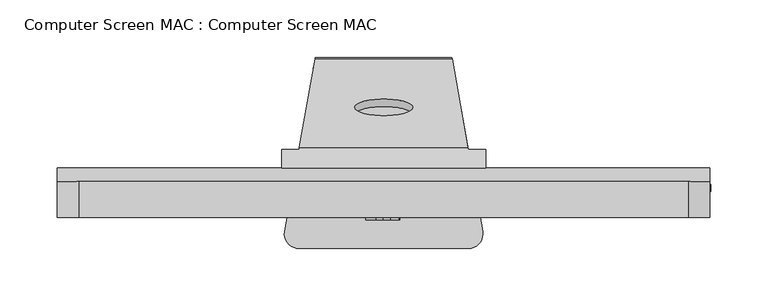
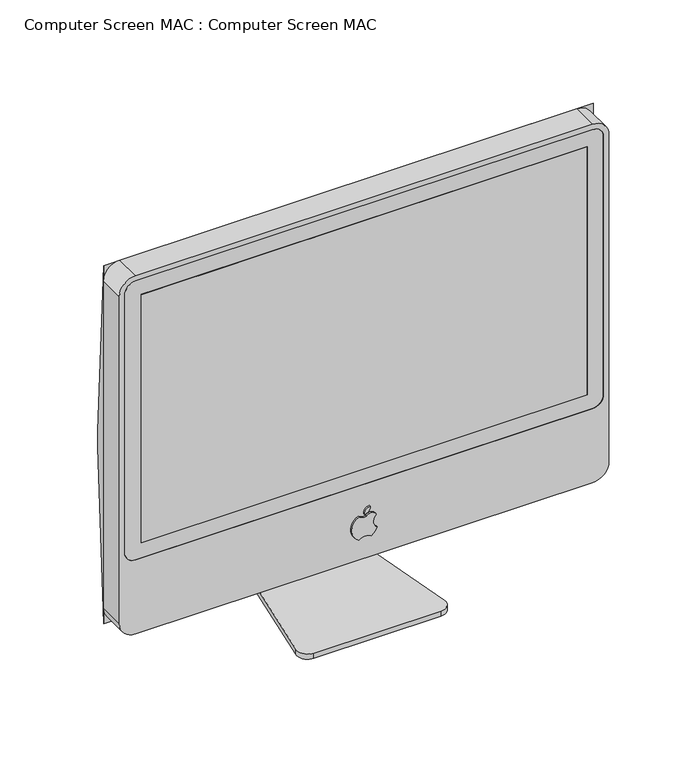
"""IFC4 building model written with IfcOpenShell, lengths in millimetres: proxy geometry, Computer Screen MAC : Computer Screen MAC."""

from ifc_helpers import new_model, si_unit, point, frame, frame_2d, origin, place, context, project, spatial, polyline, circle_curve, ellipse_curve, trimmed, segment, composite_curve, outline, extrude, source, transform, mapped, element, save
from ifc_brep_helpers import plane_surface, cylinder_surface, revolved_surface, advanced_brep


def computer_screen_mac_computer_screen_mac_dce8db99(model_context):
    return source(origin(), model_context, "Body", "SolidModel", [
        extrude(outline(composite_curve([segment(trimmed(circle_curve(frame_2d((120.52706, 0.0)), 15.644498), [point((134.5632962, -6.9090079))], [point((106.7843162, -7.4757816))], False, "CARTESIAN"), True, "CONTINUOUS"), segment(trimmed(circle_curve(frame_2d((96.5739719, 0.0)), 12.6545818), [point((106.7843162, -7.4757816))], [point((106.7843162, 7.4757816))], True, "CARTESIAN"), True, "CONTINUOUS"), segment(trimmed(circle_curve(frame_2d((124.483969, -7.3413015)), 23.0829734), [point((106.7843162, 7.4757816))], [point((115.7043026, 14.0067925))], False, "CARTESIAN"), True, "CONTINUOUS"), segment(trimmed(circle_curve(frame_2d((123.8232336, 19.4018481)), 9.7480082), [point((115.7043026, 14.0067925))], [point((131.3337514, 13.1876878))], True, "CARTESIAN"), True, "CONTINUOUS"), segment(trimmed(circle_curve(frame_2d((128.4564261, 7.0151038)), 6.8102712), [point((131.3337514, 13.1876878))], [point((132.7415657, 1.7219598))], False, "CARTESIAN"), True, "CONTINUOUS"), segment(trimmed(circle_curve(frame_2d((142.1808748, -0.7934332)), 9.7687132), [point((132.7415657, 1.7219598))], [point((134.5632962, -6.9090079))], True, "CARTESIAN"), True, "CONTINUOUS")], self_intersect=False)), frame((0.0, -112.5486934, 0.0), z_axis=(0.0, 1.0, 0.0), x_axis=(0.0, 0.0, 1.0)), (0.0, 0.0, 1.0), 1.9886934),
        extrude(outline(composite_curve([segment(trimmed(circle_curve(frame_2d((136.4441402, 6.4175218)), 6.9390859), [point((143.3664679, 5.9355541))], [point((135.4763429, -0.4537431))], False, "CARTESIAN"), True, "CONTINUOUS"), segment(trimmed(circle_curve(frame_2d((143.2650054, -2.0055453)), 7.9417475), [point((135.4763429, -0.4537431))], [point((143.3664679, 5.9355541))], False, "CARTESIAN"), True, "CONTINUOUS")], self_intersect=False)), frame((0.0, -112.5486934, 0.0), z_axis=(0.0, 1.0, 0.0), x_axis=(0.0, 0.0, 1.0)), (0.0, 0.0, 1.0), 1.9886934),
        extrude(outline(polyline([(259.0601563, -110.56), (-259.0601562, -110.56), (-259.0601562, -104.21), (259.0601563, -104.21), (259.0601563, -110.56)])), frame((0.0, 0.0, 190.5435211), z_axis=(0.0, 0.0, 1.0), x_axis=(1.0, 0.0, 0.0)), (0.0, 0.0, 1.0), 304.7564789),
        extrude(outline(composite_curve([segment(polyline([(520.7, 265.4101563), (520.7, -265.4101562)]), True, "CONTINUOUS"), segment(trimmed(circle_curve(frame_2d((501.65, -265.4101562)), 19.05), [point((520.7, -265.4101562))], [point((501.65, -284.4601562))], False, "CARTESIAN"), True, "CONTINUOUS"), segment(polyline([(501.65, -284.4601562), (99.801911, -284.4601562)]), True, "CONTINUOUS"), segment(trimmed(circle_curve(frame_2d((99.801911, -265.4101562)), 19.05), [point((99.801911, -284.4601562))], [point((80.751911, -265.4101562))], False, "CARTESIAN"), True, "CONTINUOUS"), segment(polyline([(80.751911, -265.4101562), (80.751911, 265.4101563)]), True, "CONTINUOUS"), segment(trimmed(circle_curve(frame_2d((99.801911, 265.4101563)), 19.05), [point((80.751911, 265.4101563))], [point((99.801911, 284.4601563))], False, "CARTESIAN"), True, "CONTINUOUS"), segment(polyline([(99.801911, 284.4601563), (501.65, 284.4601563)]), True, "CONTINUOUS"), segment(trimmed(circle_curve(frame_2d((501.65, 265.4101563)), 19.05), [point((501.65, 284.4601563))], [point((520.7, 265.4101563))], False, "CARTESIAN"), True, "CONTINUOUS")], self_intersect=False), holes=[composite_curve([segment(polyline([(184.1935211, -278.1101562), (501.65, -278.1101562)]), True, "CONTINUOUS"), segment(trimmed(circle_curve(frame_2d((501.65, -265.4101562)), 12.7), [point((501.65, -278.1101562))], [point((514.35, -265.4101562))], True, "CARTESIAN"), True, "CONTINUOUS"), segment(polyline([(514.35, -265.4101562), (514.35, 265.4101563)]), True, "CONTINUOUS"), segment(trimmed(circle_curve(frame_2d((501.65, 265.4101563)), 12.7), [point((514.35, 265.4101563))], [point((501.65, 278.1101563))], True, "CARTESIAN"), True, "CONTINUOUS"), segment(polyline([(501.65, 278.1101563), (184.1935211, 278.1101563)]), True, "CONTINUOUS"), segment(trimmed(circle_curve(frame_2d((184.1935211, 265.4101563)), 12.7), [point((184.1935211, 278.1101563))], [point((171.4935211, 265.4101563))], True, "CARTESIAN"), True, "CONTINUOUS"), segment(polyline([(171.4935211, 265.4101563), (171.4935211, -265.4101562)]), True, "CONTINUOUS"), segment(trimmed(circle_curve(frame_2d((184.1935211, -265.4101562)), 12.7), [point((171.4935211, -265.4101562))], [point((184.1935211, -278.1101562))], True, "CARTESIAN"), True, "CONTINUOUS")], self_intersect=False)]), frame((0.0, -110.56, 0.0), z_axis=(0.0, 1.0, 0.0), x_axis=(0.0, 0.0, 1.0)), (0.0, 0.0, 1.0), 31.496),
        advanced_brep(
        [(88.9, -67.38, 312.7737605), (88.9, -67.38, 306.3892791), (88.9, -60.1083271, 304.8), (88.9, -51.3257743, 304.8), (-88.9, -67.38, 306.3892791), (-88.9, -67.38, 312.7737605), (-88.9, -51.3257743, 304.8), (-88.9, -60.1083271, 304.8), (62.8223757, 10.3185406, 0.0), (-62.8223757, 10.3185406, 0.0), (-59.4633467, 29.3685406, 19.05), (-59.6277493, 28.4361672, 24.9367737), (59.6277493, 28.4361672, 24.9367737), (59.4633467, 29.3685406, 19.05), (-73.3647812, -49.4704123, 300.8605195), (73.3647812, -49.4704123, 300.8605195), (-25.4, -14.2168059, 176.001911), (25.4, -14.2168059, 176.001911), (73.6919316, -51.3257743, 304.8), (-73.6919316, -51.3257743, 304.8), (-75.2405326, -60.1083271, 304.8), (-74.4296567, -55.5096211, 298.8982615), (74.4296567, -55.5096211, 298.8982615), (75.2405326, -60.1083271, 304.8), (-60.6926248, 22.3969584, 22.9745158), (60.6926248, 22.3969584, 22.9745158), (25.4, -20.8100549, 176.001911), (-25.4, -20.8100549, 176.001911), (-62.8223757, 10.3185406, 6.35), (62.8223757, 10.3185406, 6.35), (-86.2717878, -122.6696842, 6.35), (-73.7647294, -137.575016, 6.35), (73.7647294, -137.575016, 6.35), (86.2717878, -122.6696842, 6.35), (-73.7647294, -137.575016, 0.0), (73.7647294, -137.575016, 0.0), (86.2717878, -122.6696842, 0.0), (-86.2717878, -122.6696842, 0.0)],
        [
            (0, 1),
            (1, 2, circle_curve(frame((88.9, -65.9490495, 295.5062856), z_axis=(-1.0, 0.0, 0.0), x_axis=(0.0, 1.0, 0.0)), 10.9766646)),
            (2, 3),
            (3, 0, circle_curve(frame((88.9, -65.9490495, 295.5062856), z_axis=(1.0, 0.0, 0.0), x_axis=(0.0, 1.0, 0.0)), 17.3266646)),
            (4, 5),
            (5, 6, circle_curve(frame((-88.9, -65.9490495, 295.5062856), z_axis=(-1.0, 0.0, 0.0), x_axis=(0.0, 1.0, 0.0)), 17.3266646)),
            (6, 7),
            (7, 4, circle_curve(frame((-88.9, -65.9490495, 295.5062856), z_axis=(1.0, 0.0, 0.0), x_axis=(0.0, 1.0, 0.0)), 10.9766646)),
            (8, 9),
            (9, 10, ellipse_curve(frame((-62.8223757, 10.3185406, 19.05), z_axis=(0.9848077530122079, -0.17364817766693164, 0.0), x_axis=(0.1736481776669307, 0.9848077530122079, 0.0)), 19.343877, 19.05)),
            (10, 11, ellipse_curve(frame((-62.8223757, 10.3185406, 19.05), z_axis=(0.9848077530122079, -0.17364817766693164, 0.0), x_axis=(0.1736481776669307, 0.9848077530122079, 0.0)), 19.343877, 19.05)),
            (11, 12),
            (12, 13, ellipse_curve(frame((62.8223757, 10.3185406, 19.05), z_axis=(-0.9848077530122079, -0.1736481776669312, 0.0), x_axis=(0.17364817766693147, -0.9848077530122078, 0.0)), 19.343877, 19.05)),
            (13, 8, ellipse_curve(frame((62.8223757, 10.3185406, 19.05), z_axis=(-0.9848077530122079, -0.1736481776669312, 0.0), x_axis=(0.17364817766693147, -0.9848077530122078, 0.0)), 19.343877, 19.05)),
            (11, 14),
            (14, 15),
            (15, 12),
            (16, 17, ellipse_curve(frame((0.0, -14.2168059, 176.001911), z_axis=(0.0, -0.9623749775729732, -0.2717248655191856), x_axis=(0.0, 0.27172486551918523, -0.9623749775729733)), 26.3930387, 25.4)),
            (17, 16, ellipse_curve(frame((0.0, -14.2168059, 176.001911), z_axis=(0.0, -0.9623749775729732, -0.2717248655191856), x_axis=(0.0, 0.27172486551918523, -0.9623749775729733)), 26.3930387, 25.4)),
            (5, 0),
            (3, 18),
            (18, 15, ellipse_curve(frame((76.2704096, -65.9490495, 295.5062856), z_axis=(-0.9848077530122079, -0.1736481776669312, 0.0), x_axis=(0.17364817766693147, -0.9848077530122078, 0.0)), 17.5939563, 17.3266646)),
            (14, 19, ellipse_curve(frame((-76.2704096, -65.9490495, 295.5062856), z_axis=(0.9848077530122079, -0.17364817766693164, 0.0), x_axis=(0.1736481776669307, 0.9848077530122079, 0.0)), 17.5939563, 17.3266646)),
            (19, 6),
            (4, 1),
            (7, 20),
            (20, 21, ellipse_curve(frame((-76.2704096, -65.9490495, 295.5062856), z_axis=(-0.9848077530122079, 0.17364817766693164, 0.0), x_axis=(-0.1736481776669307, -0.9848077530122079, 0.0)), 11.1459973, 10.9766646)),
            (21, 22),
            (22, 23, ellipse_curve(frame((76.2704096, -65.9490495, 295.5062856), z_axis=(0.9848077530122079, 0.1736481776669312, 0.0), x_axis=(-0.17364817766693147, 0.9848077530122078, 0.0)), 11.1459973, 10.9766646)),
            (23, 2),
            (21, 24),
            (24, 25),
            (25, 22),
            (26, 27, ellipse_curve(frame((0.0, -20.8100549, 176.001911), z_axis=(0.0, 0.9623749775729731, 0.27172486551918607), x_axis=(0.0, 0.27172486551918557, -0.962374977572973)), 26.3930387, 25.4)),
            (27, 26, ellipse_curve(frame((0.0, -20.8100549, 176.001911), z_axis=(0.0, 0.9623749775729731, 0.27172486551918607), x_axis=(0.0, 0.27172486551918557, -0.962374977572973)), 26.3930387, 25.4)),
            (24, 28, ellipse_curve(frame((-62.8223757, 10.3185406, 19.05), z_axis=(-0.9848077530122079, 0.17364817766693164, 0.0), x_axis=(-0.1736481776669307, -0.9848077530122079, 0.0)), 12.895918, 12.7)),
            (28, 29),
            (29, 25, ellipse_curve(frame((62.8223757, 10.3185406, 19.05), z_axis=(0.9848077530122079, 0.1736481776669312, 0.0), x_axis=(-0.17364817766693147, 0.9848077530122078, 0.0)), 12.895918, 12.7)),
            (28, 30),
            (30, 31, circle_curve(frame((-73.7647294, -124.875016, 6.35), z_axis=(0.0, 0.0, 1.0), x_axis=(1.0, 0.0, 0.0)), 12.7)),
            (31, 32),
            (32, 33, circle_curve(frame((73.7647294, -124.875016, 6.35), z_axis=(0.0, 0.0, 1.0), x_axis=(1.0, 0.0, 0.0)), 12.7)),
            (33, 29),
            (31, 34),
            (34, 35),
            (35, 32),
            (8, 36),
            (36, 35, circle_curve(frame((73.7647294, -124.875016, 0.0), z_axis=(0.0, 0.0, -1.0), x_axis=(1.0, 0.0, 0.0)), 12.7)),
            (34, 37, circle_curve(frame((-73.7647294, -124.875016, 0.0), z_axis=(0.0, 0.0, -1.0), x_axis=(1.0, 0.0, 0.0)), 12.7)),
            (37, 9),
            (19, 20),
            (23, 18),
            (30, 37),
            (33, 36),
            (26, 17),
            (16, 27),
        ],
        [
            plane_surface(frame((88.9, 29.3685406, 19.05), z_axis=(1.0, 0.0, 0.0), x_axis=(0.0, 0.0, 1.0))),
            plane_surface(frame((-88.9, 29.3685406, 19.05), z_axis=(-1.0, 0.0, 0.0), x_axis=(0.0, 0.0, -1.0))),
            cylinder_surface(frame((-88.9, 10.3185406, 19.05), z_axis=(1.0, 0.0, 0.0), x_axis=(0.0, 1.0, 0.0)), 19.05),
            plane_surface(frame((88.9, 28.4361672, 24.9367737), z_axis=(0.0, 0.9623749775729732, 0.2717248655191856), x_axis=(-1.0, 0.0, 0.0))),
            cylinder_surface(frame((-88.9, -65.9490495, 295.5062856), z_axis=(1.0, 0.0, 0.0), x_axis=(0.0, 1.0, 0.0)), 17.3266646),
            plane_surface(frame((88.9, -67.38, 312.7737605), z_axis=(0.0, -1.0, 0.0), x_axis=(-1.0, 0.0, 0.0))),
            revolved_surface(polyline([(-88.9, -54.9723849, 295.5062856), (88.9, -54.9723849, 295.5062856)]), (-88.9, -65.9490495, 295.5062856), (-1.0, 0.0, 0.0)),
            plane_surface(frame((88.9, -55.5096211, 298.8982615), z_axis=(0.0, -0.9623749775729731, -0.27172486551918607), x_axis=(-1.0, 0.0, 0.0))),
            revolved_surface(polyline([(-65.06172836004217, 23.0185406, 19.05), (65.0617283600422, 23.0185406, 19.05)]), (-88.9, 10.3185406, 19.05), (-1.0, 0.0, 0.0)),
            plane_surface(frame((88.9, 10.3185406, 6.35), z_axis=(0.0, 0.0, 1.0), x_axis=(-1.0, 0.0, 0.0))),
            plane_surface(frame((88.9, -137.575016, 6.35), z_axis=(0.0, -1.0, 0.0), x_axis=(-1.0, 0.0, 0.0))),
            plane_surface(frame((88.9, -137.575016, 0.0), z_axis=(0.0, 0.0, -1.0), x_axis=(-1.0, 0.0, 0.0))),
            plane_surface(frame((-88.9, 29.3685406, 304.8), z_axis=(0.0, 0.0, -1.0), x_axis=(-1.0, 0.0, 0.0))),
            cylinder_surface(frame((-73.7647294, -124.875016, 0.0), z_axis=(0.0, 0.0, -1.0), x_axis=(1.0, 0.0, 0.0)), 12.7),
            plane_surface(frame((-86.2717878, -122.6696842, 304.8), z_axis=(-0.9848077530122079, 0.17364817766693164, 0.0), x_axis=(0.0, 0.0, -1.0))),
            plane_surface(frame((59.4633467, 29.3685406, 304.8), z_axis=(0.9848077530122079, 0.1736481776669312, 0.0), x_axis=(0.0, 0.0, -1.0))),
            cylinder_surface(frame((73.7647294, -124.875016, 0.0), z_axis=(0.0, 0.0, -1.0), x_axis=(1.0, 0.0, 0.0)), 12.7),
            revolved_surface(polyline([(-25.4, -7.045161008599855, 176.001911), (-25.4, -27.98169979140016, 176.001911)]), (0.0, -46.9112931, 176.001911), (0.0, 1.0, 0.0)),
        ],
        [
            (0, [[1, 2, 3, 4]]),
            (1, [[5, 6, 7, 8]]),
            (2, [[9, 10, 11, 12, 13, 14]]),
            (3, [[-12, 15, 16, 17], [18, 19]]),
            (4, [[20, -4, 21, 22, -16, 23, 24, -6]]),
            (5, [[-1, -20, -5, 25]]),
            (6, [[-25, -8, 26, 27, 28, 29, 30, -2]]),
            (7, [[-28, 31, 32, 33], [34, 35]]),
            (8, [[-32, 36, 37, 38]]),
            (9, [[-37, 39, 40, 41, 42, 43]]),
            (10, [[-41, 44, 45, 46]]),
            (11, [[-9, 47, 48, -45, 49, 50]]),
            (12, [[51, -26, -7, -24]]),
            (12, [[52, -21, -3, -30]]),
            (13, [[53, -49, -44, -40]]),
            (14, [[-51, -23, -15, -11, -10, -50, -53, -39, -36, -31, -27]]),
            (15, [[-52, -29, -33, -38, -43, 54, -47, -14, -13, -17, -22]]),
            (16, [[-54, -42, -46, -48]]),
            (17, [[55, -18, 56, -34]]),
            (17, [[-55, -35, -56, -19]]),
        ],
    ),
        extrude(outline(composite_curve([segment(polyline([(171.4935211, -265.4101562), (171.4935211, 265.4101562)]), True, "CONTINUOUS"), segment(trimmed(circle_curve(frame_2d((184.1935211, 265.4101562)), 12.7), [point((171.4935211, 265.4101562))], [point((184.1935211, 278.1101562))], False, "CARTESIAN"), True, "CONTINUOUS"), segment(polyline([(184.1935211, 278.1101562), (501.65, 278.1101562)]), True, "CONTINUOUS"), segment(trimmed(circle_curve(frame_2d((501.65, 265.4101562)), 12.7), [point((501.65, 278.1101562))], [point((514.35, 265.4101562))], False, "CARTESIAN"), True, "CONTINUOUS"), segment(polyline([(514.35, 265.4101562), (514.35, -265.4101562)]), True, "CONTINUOUS"), segment(trimmed(circle_curve(frame_2d((501.65, -265.4101562)), 12.7), [point((514.35, -265.4101562))], [point((501.65, -278.1101562))], False, "CARTESIAN"), True, "CONTINUOUS"), segment(polyline([(501.65, -278.1101562), (184.1935211, -278.1101562)]), True, "CONTINUOUS"), segment(trimmed(circle_curve(frame_2d((184.1935211, -265.4101562)), 12.7), [point((184.1935211, -278.1101562))], [point((171.4935211, -265.4101562))], False, "CARTESIAN"), True, "CONTINUOUS")], self_intersect=False), holes=[polyline([(495.3, -259.0601562), (495.3, 259.0601563), (190.5435211, 259.0601562), (190.5435211, -259.0601562), (495.3, -259.0601562)])]), frame((0.0, -110.56, 0.0), z_axis=(0.0, 1.0, 0.0), x_axis=(0.0, 0.0, 1.0)), (0.0, 0.0, 1.0), 6.35),
        extrude(outline(composite_curve([segment(trimmed(circle_curve(frame_2d((-84.88975, 425.5146184)), 3.0), [point((-87.88975, 425.5146184))], [point((-84.88975, 428.5146184))], False, "CARTESIAN"), True, "CONTINUOUS"), segment(trimmed(circle_curve(frame_2d((-84.88975, 425.5146184)), 3.0), [point((-84.88975, 428.5146184))], [point((-81.88975, 425.5146184))], False, "CARTESIAN"), True, "CONTINUOUS"), segment(polyline([(-81.88975, 425.5146184), (-81.88975, 264.1646184)]), True, "CONTINUOUS"), segment(trimmed(circle_curve(frame_2d((-84.88975, 264.1646184)), 3.0), [point((-81.88975, 264.1646184))], [point((-84.88975, 261.1646184))], False, "CARTESIAN"), True, "CONTINUOUS"), segment(trimmed(circle_curve(frame_2d((-84.88975, 264.1646184)), 3.0), [point((-84.88975, 261.1646184))], [point((-87.88975, 264.1646184))], False, "CARTESIAN"), True, "CONTINUOUS"), segment(polyline([(-87.88975, 264.1646184), (-87.88975, 425.5146184)]), True, "CONTINUOUS")], self_intersect=False)), frame((281.9121562, 0.0, 0.0), z_axis=(1.0, 0.0, 0.0), x_axis=(0.0, 1.0, 0.0)), (0.0, 0.0, 1.0), 3.1621285),
        extrude(outline(composite_curve([segment(trimmed(circle_curve(frame_2d((-2047.3299963, 305.8518843)), 1979.9572584), [point((-79.064, 520.7))], [point((-67.3793732, 310.977813))], False, "CARTESIAN"), True, "CONTINUOUS"), segment(polyline([(-67.3793732, 310.977813), (-67.3793732, 290.474098)]), True, "CONTINUOUS"), segment(trimmed(circle_curve(frame_2d((-2047.3299963, 295.6000267)), 1979.9572584), [point((-67.3793732, 290.474098))], [point((-79.064, 80.751911))], False, "CARTESIAN"), True, "CONTINUOUS"), segment(polyline([(-79.064, 80.751911), (-79.064, 520.7)]), True, "CONTINUOUS")], self_intersect=False)), frame((-284.4601562, 0.0, 0.0), z_axis=(1.0, 0.0, 0.0), x_axis=(0.0, 1.0, 0.0)), (0.0, 0.0, 1.0), 568.9203125),
    ])


if __name__ == "__main__":
    model = new_model("IFC4")
    model_context = context("Model", 3, world=origin())
    ifc_project = project(units=[si_unit("LENGTHUNIT", "METRE", prefix="MILLI")], contexts=[model_context])
    site = spatial("IfcSite", under=ifc_project)
    building = spatial("IfcBuilding", under=site)
    placement = place(None, origin())
    computer_screen_mac_computer_screen_mac_shape = computer_screen_mac_computer_screen_mac_dce8db99(model_context)
    element("IfcBuildingElementProxy", 1, Name="Computer Screen MAC : Computer Screen MAC", ObjectType="Computer Screen MAC : Computer Screen MAC", at=placement, inside=building, context=model_context, shape_type="MappedRepresentation", body=[
        mapped(computer_screen_mac_computer_screen_mac_shape, transform((0.0, 0.0, 0.0), x_axis=(1.0, 0.0, 0.0), y_axis=(0.0, 1.0, 0.0), z_axis=(0.0, 0.0, 1.0))),
    ])
    save(model, "model.ifc")
